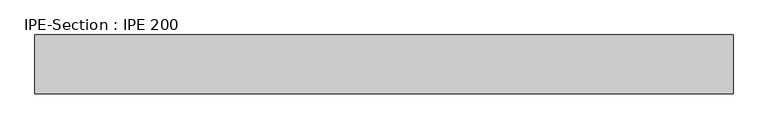
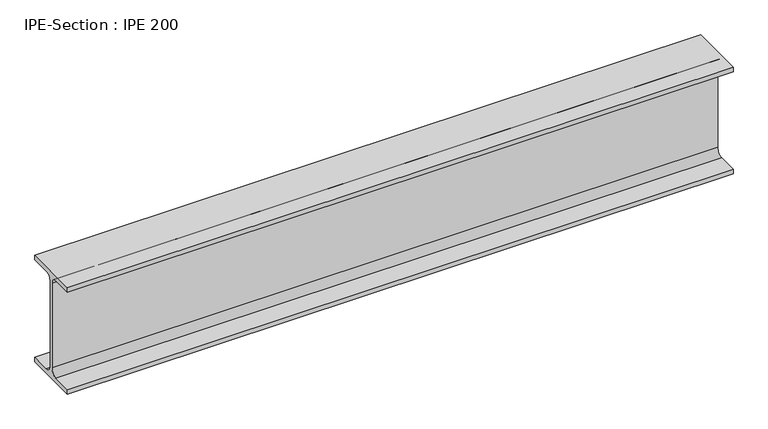
"""IFC4 building model written with IfcOpenShell, lengths in millimetres: beam geometry, IPE-Section : IPE 200."""

from ifc_helpers import new_model, si_unit, point, frame, frame_2d, origin, place, context, project, spatial, polyline, circle_curve, trimmed, segment, composite_curve, outline, extrude, source, transform, mapped, element, save


def ipe_section_ipe_200_b0c27de1(model_context):
    return source(origin(), model_context, "Body", "SweptSolid", [
        extrude(outline(composite_curve([segment(polyline([(-50.0, -91.5), (-14.8, -91.5)]), True, "CONTINUOUS"), segment(trimmed(circle_curve(frame_2d((-14.8, -79.5)), 12.0), [point((-14.8, -91.5))], [point((-2.8, -79.5))], True, "CARTESIAN"), True, "CONTINUOUS"), segment(polyline([(-2.8, -79.5), (-2.8, 79.5)]), True, "CONTINUOUS"), segment(trimmed(circle_curve(frame_2d((-14.8, 79.5)), 12.0), [point((-2.8, 79.5))], [point((-14.8, 91.5))], True, "CARTESIAN"), True, "CONTINUOUS"), segment(polyline([(-14.8, 91.5), (-50.0, 91.5), (-50.0, 100.0), (50.0, 100.0), (50.0, 91.5), (14.8, 91.5)]), True, "CONTINUOUS"), segment(trimmed(circle_curve(frame_2d((14.8, 79.5)), 12.0), [point((14.8, 91.5))], [point((2.8, 79.5))], True, "CARTESIAN"), True, "CONTINUOUS"), segment(polyline([(2.8, 79.5), (2.8, -79.5)]), True, "CONTINUOUS"), segment(trimmed(circle_curve(frame_2d((14.8, -79.5)), 12.0), [point((2.8, -79.5))], [point((14.8, -91.5))], True, "CARTESIAN"), True, "CONTINUOUS"), segment(polyline([(14.8, -91.5), (50.0, -91.5), (50.0, -100.0), (-50.0, -100.0), (-50.0, -91.5)]), True, "CONTINUOUS")], self_intersect=False)), frame((-620.7573388, 0.0, 0.0), z_axis=(1.0, 0.0, 0.0), x_axis=(0.0, 1.0, 0.0)), (0.0, 0.0, 1.0), 1183.0414613),
    ])


if __name__ == "__main__":
    model = new_model("IFC4")
    model_context = context("Model", 3, world=origin())
    ifc_project = project(units=[si_unit("LENGTHUNIT", "METRE", prefix="MILLI")], contexts=[model_context])
    site = spatial("IfcSite", under=ifc_project)
    building = spatial("IfcBuilding", under=site)
    placement = place(None, origin())
    ipe_section_ipe_200_shape = ipe_section_ipe_200_b0c27de1(model_context)
    element("IfcBeam", 1, ObjectType="IPE-Section : IPE 200", at=placement, inside=building, context=model_context, shape_type="MappedRepresentation", body=[
        mapped(ipe_section_ipe_200_shape, transform((0.0, 0.0, 0.0), x_axis=(1.0, 0.0, 0.0), y_axis=(0.0, 1.0, 0.0), z_axis=(0.0, 0.0, 1.0))),
    ])
    save(model, "model.ifc")
